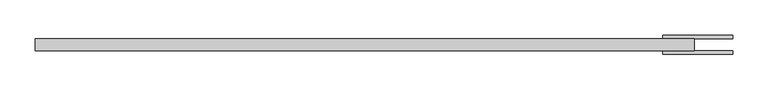
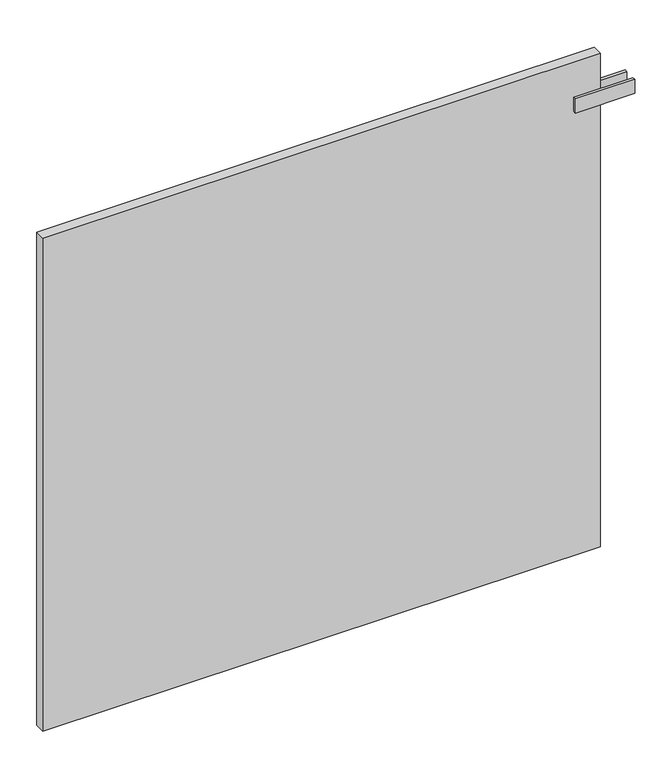
"""IFC4 building model written with IfcOpenShell, lengths in millimetres: plate geometry."""

from ifc_helpers import new_model, si_unit, frame, origin, origin_with_axes, place, context, project, spatial, polyline, outline, extrude, source, transform, mapped, element, save


def plate_99a99727(model_context):
    return source(origin(), model_context, "Body", "SweptSolid", [
        extrude(outline(polyline([(425.0000001, -13.75), (425.0000001, -8.75), (525.0000001, -8.75), (525.0000001, -13.75), (425.0000001, -13.75)])), frame((0.0, 0.0, 791.5), z_axis=(0.0, 0.0, 1.0), x_axis=(1.0, 0.0, 0.0)), (0.0, 0.0, 1.0), 25.0),
        extrude(outline(polyline([(425.0000001, 13.75), (525.0000001, 13.75), (525.0000001, 8.75), (425.0000001, 8.75), (425.0000001, 13.75)])), frame((0.0, 0.0, 791.5), z_axis=(0.0, 0.0, 1.0), x_axis=(1.0, 0.0, 0.0)), (0.0, 0.0, 1.0), 25.0),
        extrude(outline(polyline([(470.0000001, 8.75), (470.0000001, -8.75), (-470.0000001, -8.75), (-470.0000001, 8.75), (470.0000001, 8.75)])), origin_with_axes(), (0.0, 0.0, 1.0), 879.0),
    ])


if __name__ == "__main__":
    model = new_model("IFC4")
    model_context = context("Model", 3, world=origin())
    ifc_project = project(units=[si_unit("LENGTHUNIT", "METRE", prefix="MILLI")], contexts=[model_context])
    site = spatial("IfcSite", under=ifc_project)
    building = spatial("IfcBuilding", under=site)
    placement = place(None, origin())
    plate_shape = plate_99a99727(model_context)
    element("IfcPlate", 1, at=placement, inside=building, context=model_context, shape_type="MappedRepresentation", body=[
        mapped(plate_shape, transform((0.0, 0.0, 0.0), x_axis=(1.0, 0.0, 0.0), y_axis=(0.0, 1.0, 0.0), z_axis=(0.0, 0.0, 1.0))),
    ])
    save(model, "model.ifc")
